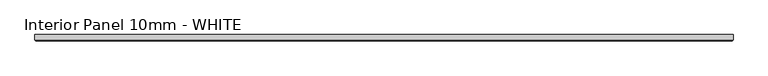
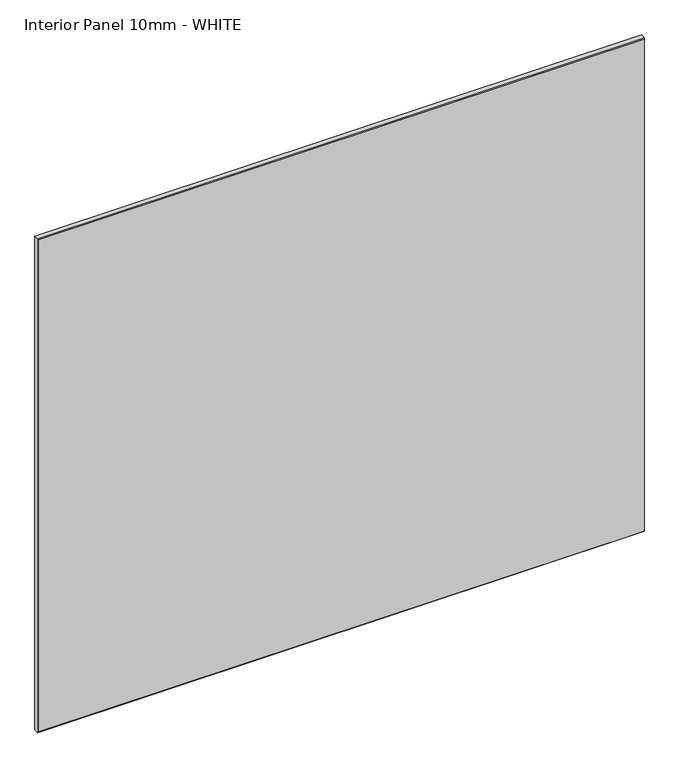
"""IFC4 building model written with IfcOpenShell, lengths in millimetres: proxy geometry, Interior Panel 10mm - WHITE."""

from ifc_helpers import new_model, si_unit, origin, place, context, project, spatial, faceted_brep, source, transform, mapped, element, save


def interior_panel_10mm_white_05d2a009(model_context):
    return source(origin(), model_context, "Body", "Brep", [
        faceted_brep([(990.6, 3.175, 914.4), (-73.025, 3.175, 914.4), (-73.025, -4.7625, 914.4), (990.6, -4.7625, 914.4), (990.6, 3.175, 0.0), (990.6, -4.7625, 0.0), (-73.025, -4.7625, 0.0), (-73.025, 3.175, 0.0), (-71.4375, -6.35, 912.8125), (-71.4375, -6.35, 1.5875), (989.0125, -6.35, 1.5875), (989.0125, -6.35, 912.8125)], [[[0, 1, 2, 3]], [[4, 5, 6, 7]], [[1, 0, 4, 7]], [[2, 1, 7, 6]], [[8, 9, 10, 11]], [[0, 3, 5, 4]], [[2, 6, 9, 8]], [[5, 3, 11, 10]], [[3, 2, 8, 11]], [[6, 5, 10, 9]]]),
    ])


if __name__ == "__main__":
    model = new_model("IFC4")
    model_context = context("Model", 3, world=origin())
    ifc_project = project(units=[si_unit("LENGTHUNIT", "METRE", prefix="MILLI")], contexts=[model_context])
    site = spatial("IfcSite", under=ifc_project)
    building = spatial("IfcBuilding", under=site)
    placement = place(None, origin())
    interior_panel_10mm_white_shape = interior_panel_10mm_white_05d2a009(model_context)
    element("IfcBuildingElementProxy", 1, Name="Interior Panel 10mm - WHITE", ObjectType="Interior Panel 10mm - WHITE", at=placement, inside=building, context=model_context, shape_type="MappedRepresentation", body=[
        mapped(interior_panel_10mm_white_shape, transform((0.0, 0.0, 0.0), x_axis=(1.0, 0.0, 0.0), y_axis=(0.0, 1.0, 0.0), z_axis=(0.0, 0.0, 1.0))),
    ])
    save(model, "model.ifc")
